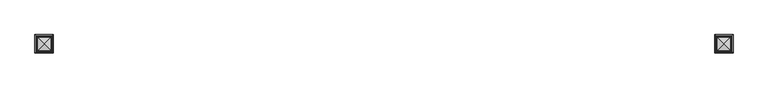
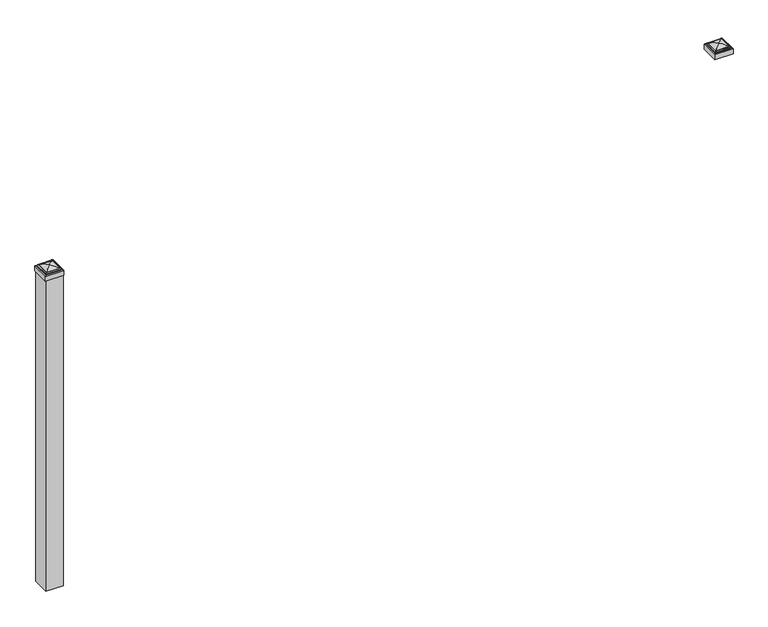
"""IFC4 building model written with IfcOpenShell, lengths in millimetres: railing geometry."""

from ifc_helpers import new_model, si_unit, frame, origin, origin_with_axes, place, context, project, spatial, polyline, ellipse_curve, outline, extrude, source, transform, mapped, element, save
from ifc_brep_helpers import plane_surface, cylinder_surface, advanced_brep


def railing_f55552c8(model_context):
    return source(origin(), model_context, "Body", "SolidModel", [
        advanced_brep(
        [(-21466.4024936, 13450.257041, 1213.64375), (-21466.4024936, 13450.257041, 1195.3875), (-21466.4024936, 13383.582041, 1195.3875), (-21466.4024936, 13383.582041, 1213.64375), (-21464.0212436, 13447.875791, 1216.025), (-21464.0212436, 13385.963291, 1216.025), (-21461.6399936, 13445.494541, 1218.40625), (-21461.6399936, 13445.494541, 1216.025), (-21461.6399936, 13388.344541, 1216.025), (-21461.6399936, 13388.344541, 1218.40625), (-21459.2587436, 13443.113291, 1220.7875), (-21459.2587436, 13390.725791, 1220.7875), (-21433.0649936, 13416.919541, 1227.1375), (-21456.8774936, 13440.732041, 1220.7875), (-21456.8774936, 13393.107041, 1220.7875), (-21399.7274936, 13383.582041, 1195.3875), (-21399.7274936, 13383.582041, 1213.64375), (-21402.1087436, 13385.963291, 1216.025), (-21404.4899936, 13388.344541, 1216.025), (-21404.4899936, 13388.344541, 1218.40625), (-21406.8712436, 13390.725791, 1220.7875), (-21409.2524936, 13393.107041, 1220.7875), (-21399.7274936, 13450.257041, 1195.3875), (-21399.7274936, 13450.257041, 1213.64375), (-21402.1087436, 13447.875791, 1216.025), (-21404.4899936, 13445.494541, 1216.025), (-21404.4899936, 13445.494541, 1218.40625), (-21406.8712436, 13443.113291, 1220.7875), (-21409.2524936, 13440.732041, 1220.7875)],
        [
            (0, 1),
            (1, 2),
            (2, 3),
            (3, 0),
            (4, 0, ellipse_curve(frame((-21464.0212436, 13447.875791, 1213.64375), z_axis=(-0.70710678118655, -0.7071067811865449, 0.0), x_axis=(-0.7071067811865448, 0.7071067811865501, 0.0)), 3.367596, 2.38125)),
            (3, 5, ellipse_curve(frame((-21464.0212436, 13385.963291, 1213.64375), z_axis=(-0.7071067811865449, 0.70710678118655, 0.0), x_axis=(0.7071067811865499, 0.707106781186545, 0.0)), 3.367596, 2.38125)),
            (5, 4),
            (6, 7),
            (7, 8),
            (8, 9),
            (9, 6),
            (10, 6, ellipse_curve(frame((-21459.2587436, 13443.113291, 1218.40625), z_axis=(-0.70710678118655, -0.7071067811865449, 0.0), x_axis=(-0.7071067811865448, 0.7071067811865501, 0.0)), 3.367596, 2.38125)),
            (9, 11, ellipse_curve(frame((-21459.2587436, 13390.725791, 1218.40625), z_axis=(-0.7071067811865449, 0.70710678118655, 0.0), x_axis=(0.7071067811865499, 0.707106781186545, 0.0)), 3.367596, 2.38125)),
            (11, 10),
            (12, 13, ellipse_curve(frame((-21433.0649936, 13416.919541, 1179.3140625), z_axis=(-0.70710678118655, -0.7071067811865449, 0.0), x_axis=(-0.7071067811865448, 0.7071067811865501, 0.0)), 67.6325539, 47.8234375)),
            (13, 14),
            (14, 12, ellipse_curve(frame((-21433.0649936, 13416.919541, 1179.3140625), z_axis=(-0.7071067811865449, 0.70710678118655, 0.0), x_axis=(0.7071067811865499, 0.707106781186545, 0.0)), 67.6325539, 47.8234375)),
            (2, 15),
            (15, 16),
            (16, 3),
            (16, 17, ellipse_curve(frame((-21402.1087436, 13385.963291, 1213.64375), z_axis=(-0.70710678118655, -0.707106781186545, 0.0), x_axis=(-0.707106781186545, 0.70710678118655, 0.0)), 3.367596, 2.38125)),
            (17, 5),
            (8, 18),
            (18, 19),
            (19, 9),
            (19, 20, ellipse_curve(frame((-21406.8712436, 13390.725791, 1218.40625), z_axis=(-0.70710678118655, -0.707106781186545, 0.0), x_axis=(-0.707106781186545, 0.70710678118655, 0.0)), 3.367596, 2.38125)),
            (20, 11),
            (14, 21),
            (21, 12, ellipse_curve(frame((-21433.0649936, 13416.919541, 1179.3140625), z_axis=(-0.70710678118655, -0.707106781186545, 0.0), x_axis=(-0.707106781186545, 0.70710678118655, 0.0)), 67.6325539, 47.8234375)),
            (15, 22),
            (22, 23),
            (23, 16),
            (23, 24, ellipse_curve(frame((-21402.1087436, 13447.875791, 1213.64375), z_axis=(0.707106781186545, -0.7071067811865499, 0.0), x_axis=(-0.7071067811865497, -0.7071067811865452, 0.0)), 3.367596, 2.38125)),
            (24, 17),
            (18, 25),
            (25, 26),
            (26, 19),
            (26, 27, ellipse_curve(frame((-21406.8712436, 13443.113291, 1218.40625), z_axis=(0.707106781186545, -0.7071067811865499, 0.0), x_axis=(-0.7071067811865497, -0.7071067811865452, 0.0)), 3.367596, 2.38125)),
            (27, 20),
            (21, 28),
            (28, 12, ellipse_curve(frame((-21433.0649936, 13416.919541, 1179.3140625), z_axis=(0.707106781186545, -0.7071067811865499, 0.0), x_axis=(-0.7071067811865497, -0.7071067811865452, 0.0)), 67.6325539, 47.8234375)),
            (22, 1),
            (0, 23),
            (4, 24),
            (7, 25),
            (6, 26),
            (10, 27),
            (13, 28),
        ],
        [
            plane_surface(frame((-21466.4024936, 13450.257041, 1195.3875), z_axis=(-1.0, 0.0, 0.0), x_axis=(0.0, -1.0, 0.0))),
            cylinder_surface(frame((-21464.0212436, 13448.669541, 1213.64375), z_axis=(0.0, 1.0, 0.0), x_axis=(1.0, 0.0, 0.0)), 2.38125),
            plane_surface(frame((-21461.6399936, 13445.494541, 1216.025), z_axis=(-1.0, 0.0, 0.0), x_axis=(0.0, -1.0, 0.0))),
            cylinder_surface(frame((-21459.2587436, 13448.669541, 1218.40625), z_axis=(0.0, 1.0, 0.0), x_axis=(1.0, 0.0, 0.0)), 2.38125),
            cylinder_surface(frame((-21433.0649936, 13448.669541, 1179.3140625), z_axis=(0.0, 1.0, 0.0), x_axis=(1.0, 0.0, 0.0)), 47.8234375),
            plane_surface(frame((-21466.4024936, 13383.582041, 1195.3875), z_axis=(0.0, -1.0, 0.0), x_axis=(1.0, 0.0, 0.0))),
            cylinder_surface(frame((-21464.8149936, 13385.963291, 1213.64375), z_axis=(-1.0, 0.0, 0.0), x_axis=(0.0, 1.0, 0.0)), 2.38125),
            plane_surface(frame((-21461.6399936, 13388.344541, 1216.025), z_axis=(0.0, -1.0, 0.0), x_axis=(1.0, 0.0, 0.0))),
            cylinder_surface(frame((-21464.8149936, 13390.725791, 1218.40625), z_axis=(-1.0, 0.0, 0.0), x_axis=(0.0, 1.0, 0.0)), 2.38125),
            cylinder_surface(frame((-21464.8149936, 13416.919541, 1179.3140625), z_axis=(-1.0, 0.0, 0.0), x_axis=(0.0, 1.0, 0.0)), 47.8234375),
            plane_surface(frame((-21399.7274936, 13383.582041, 1195.3875), z_axis=(1.0, 0.0, 0.0), x_axis=(0.0, 1.0, 0.0))),
            cylinder_surface(frame((-21402.1087436, 13385.169541, 1213.64375), z_axis=(0.0, -1.0, 0.0), x_axis=(-1.0, 0.0, 0.0)), 2.38125),
            plane_surface(frame((-21404.4899936, 13388.344541, 1216.025), z_axis=(1.0, 0.0, 0.0), x_axis=(0.0, 1.0, 0.0))),
            cylinder_surface(frame((-21406.8712436, 13385.169541, 1218.40625), z_axis=(0.0, -1.0, 0.0), x_axis=(-1.0, 0.0, 0.0)), 2.38125),
            cylinder_surface(frame((-21433.0649936, 13385.169541, 1179.3140625), z_axis=(0.0, -1.0, 0.0), x_axis=(-1.0, 0.0, 0.0)), 47.8234375),
            plane_surface(frame((-21399.7274936, 13450.257041, 1195.3875), z_axis=(0.0, 1.0, 0.0), x_axis=(-1.0, 0.0, 0.0))),
            cylinder_surface(frame((-21401.3149936, 13447.875791, 1213.64375), z_axis=(1.0, 0.0, 0.0), x_axis=(0.0, -1.0, 0.0)), 2.38125),
            plane_surface(frame((-21402.1087436, 13447.875791, 1216.025), z_axis=(0.0, 0.0, 1.0), x_axis=(-1.0, 0.0, 0.0))),
            plane_surface(frame((-21404.4899936, 13445.494541, 1216.025), z_axis=(0.0, 1.0, 0.0), x_axis=(-1.0, 0.0, 0.0))),
            cylinder_surface(frame((-21401.3149936, 13443.113291, 1218.40625), z_axis=(1.0, 0.0, 0.0), x_axis=(0.0, -1.0, 0.0)), 2.38125),
            plane_surface(frame((-21406.8712436, 13443.113291, 1220.7875), z_axis=(0.0, 0.0, 1.0), x_axis=(-1.0, 0.0, 0.0))),
            cylinder_surface(frame((-21401.3149936, 13416.919541, 1179.3140625), z_axis=(1.0, 0.0, 0.0), x_axis=(0.0, -1.0, 0.0)), 47.8234375),
            plane_surface(frame((-21433.0649936, 13416.919541, 1195.3875), z_axis=(0.0, 0.0, -1.0), x_axis=(-1.0, 0.0, 0.0))),
        ],
        [
            (0, [[1, 2, 3, 4]]),
            (1, [[5, -4, 6, 7]]),
            (2, [[8, 9, 10, 11]]),
            (3, [[12, -11, 13, 14]]),
            (4, [[15, 16, 17]]),
            (5, [[-3, 18, 19, 20]]),
            (6, [[-6, -20, 21, 22]]),
            (7, [[-10, 23, 24, 25]]),
            (8, [[-13, -25, 26, 27]]),
            (9, [[-17, 28, 29]]),
            (10, [[-19, 30, 31, 32]]),
            (11, [[-21, -32, 33, 34]]),
            (12, [[-24, 35, 36, 37]]),
            (13, [[-26, -37, 38, 39]]),
            (14, [[-29, 40, 41]]),
            (15, [[-31, 42, -1, 43]]),
            (16, [[-33, -43, -5, 44]]),
            (17, [[-22, -34, -44, -7], [45, -35, -23, -9]]),
            (18, [[-36, -45, -8, 46]]),
            (19, [[-38, -46, -12, 47]]),
            (20, [[-27, -39, -47, -14], [48, -40, -28, -16]]),
            (21, [[-41, -48, -15]]),
            (22, [[-42, -30, -18, -2]]),
        ],
    ),
        extrude(outline(polyline([(-23839.7149936, 13448.669541), (-23839.7149936, 13385.169541), (-23903.2149936, 13385.169541), (-23903.2149936, 13448.669541), (-23839.7149936, 13448.669541)])), origin_with_axes(), (0.0, 0.0, 1.0), 1195.3875),
        advanced_brep(
        [(-23904.8024936, 13450.257041, 1213.64375), (-23904.8024936, 13450.257041, 1195.3875), (-23904.8024936, 13383.582041, 1195.3875), (-23904.8024936, 13383.582041, 1213.64375), (-23902.4212436, 13447.875791, 1216.025), (-23902.4212436, 13385.963291, 1216.025), (-23900.0399936, 13445.494541, 1218.40625), (-23900.0399936, 13445.494541, 1216.025), (-23900.0399936, 13388.344541, 1216.025), (-23900.0399936, 13388.344541, 1218.40625), (-23897.6587436, 13443.113291, 1220.7875), (-23897.6587436, 13390.725791, 1220.7875), (-23871.4649936, 13416.919541, 1227.1375), (-23895.2774936, 13440.732041, 1220.7875), (-23895.2774936, 13393.107041, 1220.7875), (-23838.1274936, 13383.582041, 1195.3875), (-23838.1274936, 13383.582041, 1213.64375), (-23840.5087436, 13385.963291, 1216.025), (-23842.8899936, 13388.344541, 1216.025), (-23842.8899936, 13388.344541, 1218.40625), (-23845.2712436, 13390.725791, 1220.7875), (-23847.6524936, 13393.107041, 1220.7875), (-23838.1274936, 13450.257041, 1195.3875), (-23838.1274936, 13450.257041, 1213.64375), (-23840.5087436, 13447.875791, 1216.025), (-23842.8899936, 13445.494541, 1216.025), (-23842.8899936, 13445.494541, 1218.40625), (-23845.2712436, 13443.113291, 1220.7875), (-23847.6524936, 13440.732041, 1220.7875)],
        [
            (0, 1),
            (1, 2),
            (2, 3),
            (3, 0),
            (4, 0, ellipse_curve(frame((-23902.4212436, 13447.875791, 1213.64375), z_axis=(-0.70710678118655, -0.7071067811865449, 0.0), x_axis=(-0.7071067811865448, 0.7071067811865501, 0.0)), 3.367596, 2.38125)),
            (3, 5, ellipse_curve(frame((-23902.4212436, 13385.963291, 1213.64375), z_axis=(-0.7071067811865449, 0.70710678118655, 0.0), x_axis=(0.7071067811865499, 0.707106781186545, 0.0)), 3.367596, 2.38125)),
            (5, 4),
            (6, 7),
            (7, 8),
            (8, 9),
            (9, 6),
            (10, 6, ellipse_curve(frame((-23897.6587436, 13443.113291, 1218.40625), z_axis=(-0.70710678118655, -0.7071067811865449, 0.0), x_axis=(-0.7071067811865448, 0.7071067811865501, 0.0)), 3.367596, 2.38125)),
            (9, 11, ellipse_curve(frame((-23897.6587436, 13390.725791, 1218.40625), z_axis=(-0.7071067811865449, 0.70710678118655, 0.0), x_axis=(0.7071067811865499, 0.707106781186545, 0.0)), 3.367596, 2.38125)),
            (11, 10),
            (12, 13, ellipse_curve(frame((-23871.4649936, 13416.919541, 1179.3140625), z_axis=(-0.70710678118655, -0.7071067811865449, 0.0), x_axis=(-0.7071067811865448, 0.7071067811865501, 0.0)), 67.6325539, 47.8234375)),
            (13, 14),
            (14, 12, ellipse_curve(frame((-23871.4649936, 13416.919541, 1179.3140625), z_axis=(-0.7071067811865449, 0.70710678118655, 0.0), x_axis=(0.7071067811865499, 0.707106781186545, 0.0)), 67.6325539, 47.8234375)),
            (2, 15),
            (15, 16),
            (16, 3),
            (16, 17, ellipse_curve(frame((-23840.5087436, 13385.963291, 1213.64375), z_axis=(-0.70710678118655, -0.707106781186545, 0.0), x_axis=(-0.707106781186545, 0.70710678118655, 0.0)), 3.367596, 2.38125)),
            (17, 5),
            (8, 18),
            (18, 19),
            (19, 9),
            (19, 20, ellipse_curve(frame((-23845.2712436, 13390.725791, 1218.40625), z_axis=(-0.70710678118655, -0.707106781186545, 0.0), x_axis=(-0.707106781186545, 0.70710678118655, 0.0)), 3.367596, 2.38125)),
            (20, 11),
            (14, 21),
            (21, 12, ellipse_curve(frame((-23871.4649936, 13416.919541, 1179.3140625), z_axis=(-0.70710678118655, -0.707106781186545, 0.0), x_axis=(-0.707106781186545, 0.70710678118655, 0.0)), 67.6325539, 47.8234375)),
            (15, 22),
            (22, 23),
            (23, 16),
            (23, 24, ellipse_curve(frame((-23840.5087436, 13447.875791, 1213.64375), z_axis=(0.707106781186545, -0.7071067811865499, 0.0), x_axis=(-0.7071067811865497, -0.7071067811865452, 0.0)), 3.367596, 2.38125)),
            (24, 17),
            (18, 25),
            (25, 26),
            (26, 19),
            (26, 27, ellipse_curve(frame((-23845.2712436, 13443.113291, 1218.40625), z_axis=(0.707106781186545, -0.7071067811865499, 0.0), x_axis=(-0.7071067811865497, -0.7071067811865452, 0.0)), 3.367596, 2.38125)),
            (27, 20),
            (21, 28),
            (28, 12, ellipse_curve(frame((-23871.4649936, 13416.919541, 1179.3140625), z_axis=(0.707106781186545, -0.7071067811865499, 0.0), x_axis=(-0.7071067811865497, -0.7071067811865452, 0.0)), 67.6325539, 47.8234375)),
            (22, 1),
            (0, 23),
            (4, 24),
            (7, 25),
            (6, 26),
            (10, 27),
            (13, 28),
        ],
        [
            plane_surface(frame((-23904.8024936, 13450.257041, 1195.3875), z_axis=(-1.0, 0.0, 0.0), x_axis=(0.0, -1.0, 0.0))),
            cylinder_surface(frame((-23902.4212436, 13448.669541, 1213.64375), z_axis=(0.0, 1.0, 0.0), x_axis=(1.0, 0.0, 0.0)), 2.38125),
            plane_surface(frame((-23900.0399936, 13445.494541, 1216.025), z_axis=(-1.0, 0.0, 0.0), x_axis=(0.0, -1.0, 0.0))),
            cylinder_surface(frame((-23897.6587436, 13448.669541, 1218.40625), z_axis=(0.0, 1.0, 0.0), x_axis=(1.0, 0.0, 0.0)), 2.38125),
            cylinder_surface(frame((-23871.4649936, 13448.669541, 1179.3140625), z_axis=(0.0, 1.0, 0.0), x_axis=(1.0, 0.0, 0.0)), 47.8234375),
            plane_surface(frame((-23904.8024936, 13383.582041, 1195.3875), z_axis=(0.0, -1.0, 0.0), x_axis=(1.0, 0.0, 0.0))),
            cylinder_surface(frame((-23903.2149936, 13385.963291, 1213.64375), z_axis=(-1.0, 0.0, 0.0), x_axis=(0.0, 1.0, 0.0)), 2.38125),
            plane_surface(frame((-23900.0399936, 13388.344541, 1216.025), z_axis=(0.0, -1.0, 0.0), x_axis=(1.0, 0.0, 0.0))),
            cylinder_surface(frame((-23903.2149936, 13390.725791, 1218.40625), z_axis=(-1.0, 0.0, 0.0), x_axis=(0.0, 1.0, 0.0)), 2.38125),
            cylinder_surface(frame((-23903.2149936, 13416.919541, 1179.3140625), z_axis=(-1.0, 0.0, 0.0), x_axis=(0.0, 1.0, 0.0)), 47.8234375),
            plane_surface(frame((-23838.1274936, 13383.582041, 1195.3875), z_axis=(1.0, 0.0, 0.0), x_axis=(0.0, 1.0, 0.0))),
            cylinder_surface(frame((-23840.5087436, 13385.169541, 1213.64375), z_axis=(0.0, -1.0, 0.0), x_axis=(-1.0, 0.0, 0.0)), 2.38125),
            plane_surface(frame((-23842.8899936, 13388.344541, 1216.025), z_axis=(1.0, 0.0, 0.0), x_axis=(0.0, 1.0, 0.0))),
            cylinder_surface(frame((-23845.2712436, 13385.169541, 1218.40625), z_axis=(0.0, -1.0, 0.0), x_axis=(-1.0, 0.0, 0.0)), 2.38125),
            cylinder_surface(frame((-23871.4649936, 13385.169541, 1179.3140625), z_axis=(0.0, -1.0, 0.0), x_axis=(-1.0, 0.0, 0.0)), 47.8234375),
            plane_surface(frame((-23838.1274936, 13450.257041, 1195.3875), z_axis=(0.0, 1.0, 0.0), x_axis=(-1.0, 0.0, 0.0))),
            cylinder_surface(frame((-23839.7149936, 13447.875791, 1213.64375), z_axis=(1.0, 0.0, 0.0), x_axis=(0.0, -1.0, 0.0)), 2.38125),
            plane_surface(frame((-23840.5087436, 13447.875791, 1216.025), z_axis=(0.0, 0.0, 1.0), x_axis=(-1.0, 0.0, 0.0))),
            plane_surface(frame((-23842.8899936, 13445.494541, 1216.025), z_axis=(0.0, 1.0, 0.0), x_axis=(-1.0, 0.0, 0.0))),
            cylinder_surface(frame((-23839.7149936, 13443.113291, 1218.40625), z_axis=(1.0, 0.0, 0.0), x_axis=(0.0, -1.0, 0.0)), 2.38125),
            plane_surface(frame((-23845.2712436, 13443.113291, 1220.7875), z_axis=(0.0, 0.0, 1.0), x_axis=(-1.0, 0.0, 0.0))),
            cylinder_surface(frame((-23839.7149936, 13416.919541, 1179.3140625), z_axis=(1.0, 0.0, 0.0), x_axis=(0.0, -1.0, 0.0)), 47.8234375),
            plane_surface(frame((-23871.4649936, 13416.919541, 1195.3875), z_axis=(0.0, 0.0, -1.0), x_axis=(-1.0, 0.0, 0.0))),
        ],
        [
            (0, [[1, 2, 3, 4]]),
            (1, [[5, -4, 6, 7]]),
            (2, [[8, 9, 10, 11]]),
            (3, [[12, -11, 13, 14]]),
            (4, [[15, 16, 17]]),
            (5, [[-3, 18, 19, 20]]),
            (6, [[-6, -20, 21, 22]]),
            (7, [[-10, 23, 24, 25]]),
            (8, [[-13, -25, 26, 27]]),
            (9, [[-17, 28, 29]]),
            (10, [[-19, 30, 31, 32]]),
            (11, [[-21, -32, 33, 34]]),
            (12, [[-24, 35, 36, 37]]),
            (13, [[-26, -37, 38, 39]]),
            (14, [[-29, 40, 41]]),
            (15, [[-31, 42, -1, 43]]),
            (16, [[-33, -43, -5, 44]]),
            (17, [[-22, -34, -44, -7], [45, -35, -23, -9]]),
            (18, [[-36, -45, -8, 46]]),
            (19, [[-38, -46, -12, 47]]),
            (20, [[-27, -39, -47, -14], [48, -40, -28, -16]]),
            (21, [[-41, -48, -15]]),
            (22, [[-42, -30, -18, -2]]),
        ],
    ),
    ])


if __name__ == "__main__":
    model = new_model("IFC4")
    model_context = context("Model", 3, world=origin())
    ifc_project = project(units=[si_unit("LENGTHUNIT", "METRE", prefix="MILLI")], contexts=[model_context])
    site = spatial("IfcSite", under=ifc_project)
    building = spatial("IfcBuilding", under=site)
    placement = place(None, origin())
    railing_shape = railing_f55552c8(model_context)
    element("IfcRailing", 1, at=placement, inside=building, context=model_context, shape_type="MappedRepresentation", body=[
        mapped(railing_shape, transform((0.0, 0.0, 0.0), x_axis=(1.0, 0.0, 0.0), y_axis=(0.0, 1.0, 0.0), z_axis=(0.0, 0.0, 1.0))),
    ])
    save(model, "model.ifc")
